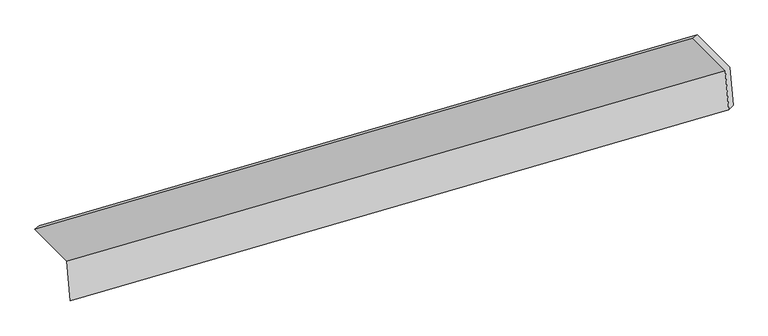
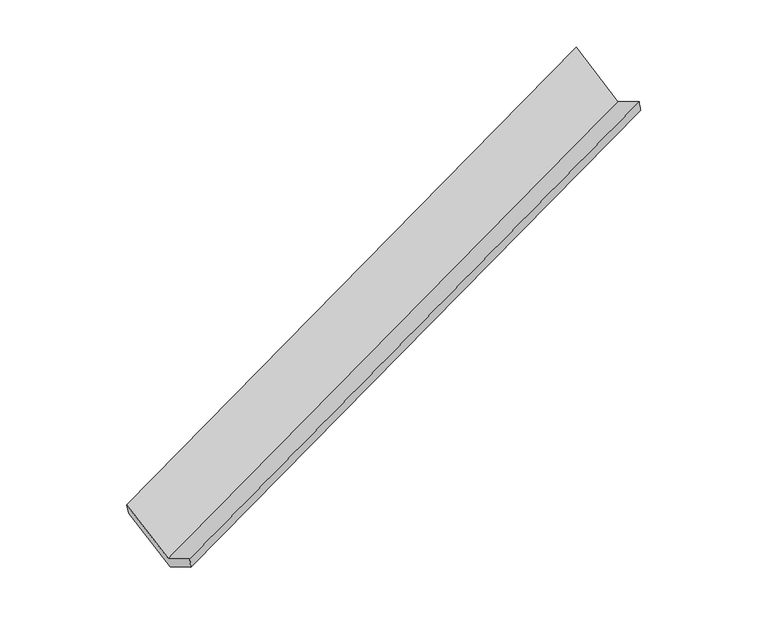
"""IFC4 building model written with IfcOpenShell, lengths in millimetres: proxy geometry."""

from ifc_helpers import new_model, si_unit, frame, origin, place, context, project, spatial, source, transform, mapped, element, save
from ifc_brep_helpers import plane_surface, spline_surface, advanced_brep


def generic_models_7db10715(model_context):
    return source(origin(), model_context, "Body", "AdvancedBrep", [
        advanced_brep(
        [(-5718.8537311, -2346.9430567, 664.1815604), (-5688.2035541, -2698.5620656, 863.7149165), (158.6280246, -1001.5657865, 3023.5628555), (128.4898335, -655.8202815, 2827.3625386), (-6002.5065568, -2065.1161525, 1204.3905166), (-159.3834229, -369.8001144, 3375.609188), (-5963.7374903, -2034.269112, 1074.8525449), (-120.6143564, -338.9530739, 3246.0712163), (-5679.8872334, -2316.2921765, 534.2675864), (167.4563311, -625.1694013, 2697.4485647), (-5650.518377, -2653.2118687, 725.4595164), (196.8993705, -962.9401207, 2889.1234273)],
        [
            (0, 1),
            (1, 2),
            (2, 3),
            (3, 0),
            (4, 0),
            (3, 5),
            (5, 4),
            (6, 4),
            (5, 7),
            (7, 6),
            (8, 6),
            (7, 9),
            (9, 8),
            (10, 8),
            (9, 11),
            (11, 10),
            (1, 10),
            (11, 2),
        ],
        [
            plane_surface(frame((-5703.5286426, -2522.7525611, 763.9482384), z_axis=(-0.4192439872834157, 0.420155457608499, 0.8048005160090892), x_axis=(0.0755956340424328, -0.8672335545909571, 0.49212931421045847))),
            plane_surface(frame((-5860.6801439, -2206.0296046, 934.2860385), z_axis=(0.07000017348633372, -0.8688792538391594, 0.49004981171283934), x_axis=(0.4220430559407829, -0.41932629296289403, -0.80376931949544))),
            plane_surface(frame((-5983.1220236, -2049.6926322, 1139.6215307), z_axis=(-0.31987791639501517, 0.9387969843452538, 0.12782151926432933), x_axis=(-0.2795393900189845, -0.22241863560244854, 0.9340169591418346))),
            plane_surface(frame((-5821.8123619, -2175.2806443, 804.5600656), z_axis=(-0.07000017348634427, 0.8688792538391705, -0.4900498117128176), x_axis=(-0.422043055940777, 0.419326292962872, 0.8037693194954544))),
            plane_surface(frame((-5665.2028052, -2484.7520226, 629.8635514), z_axis=(0.41924398728341666, -0.42015545760849865, -0.8048005160090889), x_axis=(-0.07559563404243283, 0.8672335545909571, -0.49212931421045847))),
            spline_surface(1, 1, [[(-5688.2035541, -2698.5620656, 863.7149165), (158.6280246, -1001.5657865, 3023.5628555)], [(-5650.518377, -2653.2118687, 725.4595164), (196.8993705, -962.9401207, 2889.1234273)]], [2, 2], [2, 2], [0.0, 1.0], [0.0, 1.0]),
            plane_surface(frame((61.9126301, -659.0414631, 3009.8629651), z_axis=(0.9034184850034295, 0.26846121101853393, 0.3343106626067592), x_axis=(-0.422043055940777, 0.419326292962872, 0.8037693194954544))),
            plane_surface(frame((-5783.9511571, -2352.399072, 844.4777735), z_axis=(-0.9034184850034287, -0.26846121101853504, -0.33431066260676084), x_axis=(-0.07559563404243243, 0.8672335545909571, -0.4921293142104586))),
        ],
        [
            (0, [[1, 2, 3, 4]]),
            (1, [[5, -4, 6, 7]]),
            (2, [[8, -7, 9, 10]]),
            (3, [[11, -10, 12, 13]]),
            (4, [[14, -13, 15, 16]]),
            (5, [[17, -16, 18, -2]]),
            (6, [[-12, -9, -6, -3, -18, -15]]),
            (7, [[-1, -5, -8, -11, -14, -17]]),
        ],
    ),
    ])


if __name__ == "__main__":
    model = new_model("IFC4")
    model_context = context("Model", 3, world=origin())
    ifc_project = project(units=[si_unit("LENGTHUNIT", "METRE", prefix="MILLI")], contexts=[model_context])
    site = spatial("IfcSite", under=ifc_project)
    building = spatial("IfcBuilding", under=site)
    placement = place(None, origin())
    generic_models_shape = generic_models_7db10715(model_context)
    element("IfcBuildingElementProxy", 1, Name="Generic Models", at=placement, inside=building, context=model_context, shape_type="MappedRepresentation", body=[
        mapped(generic_models_shape, transform((0.0, 0.0, 0.0), x_axis=(1.0, 0.0, 0.0), y_axis=(0.0, 1.0, 0.0), z_axis=(0.0, 0.0, 1.0))),
    ])
    save(model, "model.ifc")
